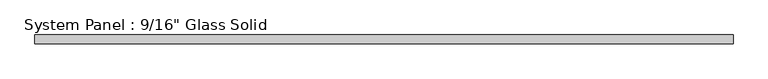
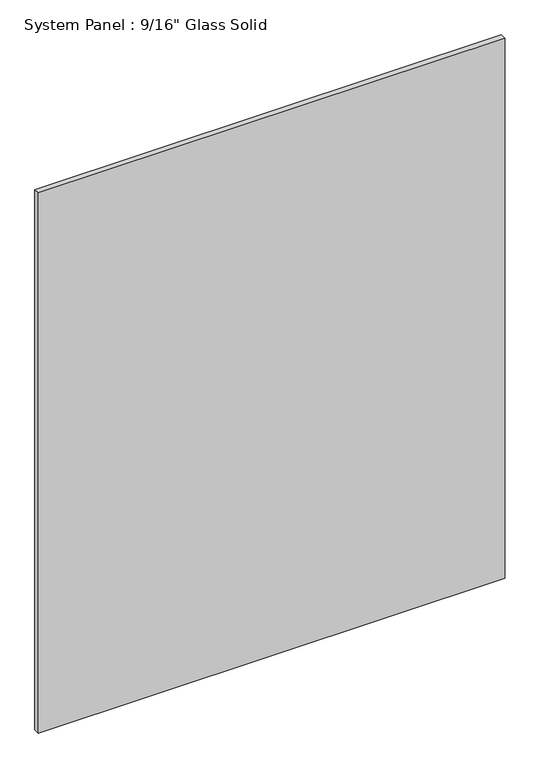
"""IFC4 building model written with IfcOpenShell, lengths in millimetres: plate geometry."""

from ifc_helpers import new_model, si_unit, origin, origin_with_axes, place, context, project, spatial, polyline, outline, extrude, source, transform, mapped, element, save


def plate_f20bb1a6(model_context):
    return source(origin(), model_context, "Body", "SweptSolid", [
        extrude(outline(polyline([(577.8508852, -7.14375), (-577.8508852, -7.14375), (-577.8508852, 7.14375), (577.8508852, 7.14375), (577.8508852, -7.14375)])), origin_with_axes(), (0.0, 0.0, 1.0), 1413.6241382),
    ])


if __name__ == "__main__":
    model = new_model("IFC4")
    model_context = context("Model", 3, world=origin())
    ifc_project = project(units=[si_unit("LENGTHUNIT", "METRE", prefix="MILLI")], contexts=[model_context])
    site = spatial("IfcSite", under=ifc_project)
    building = spatial("IfcBuilding", under=site)
    placement = place(None, origin())
    plate_shape = plate_f20bb1a6(model_context)
    element("IfcPlate", 1, ObjectType="System Panel : 9/16\" Glass Solid", at=placement, inside=building, context=model_context, shape_type="MappedRepresentation", body=[
        mapped(plate_shape, transform((0.0, 0.0, 0.0), x_axis=(1.0, 0.0, 0.0), y_axis=(0.0, 1.0, 0.0), z_axis=(0.0, 0.0, 1.0))),
    ])
    save(model, "model.ifc")
